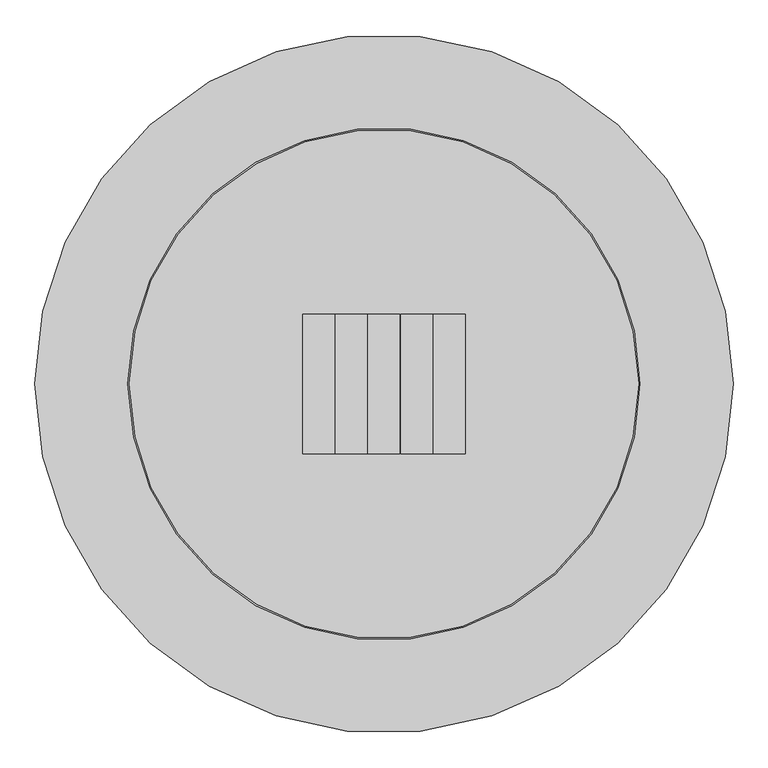
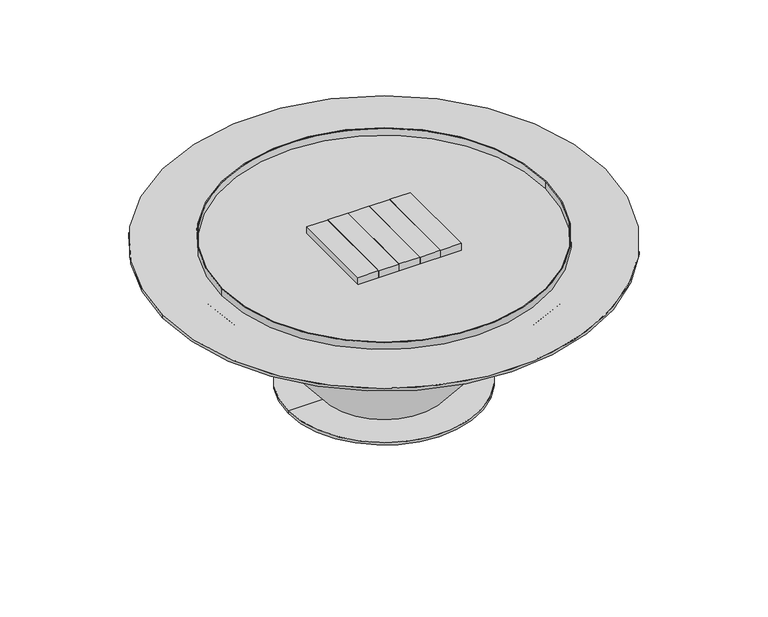
"""IFC4 building model written with IfcOpenShell, lengths in millimetres: proxy geometry."""

from ifc_helpers import new_model, si_unit, point, frame, origin, origin_2d, place, context, project, spatial, polyline, circle_curve, trimmed, segment, composite_curve, outline, extrude, source, transform, mapped, element, save
from ifc_brep_helpers import plane_surface, cylinder_surface, revolved_surface, advanced_brep


def generic_models_b4d8ed98(model_context):
    return source(origin(), model_context, "Body", "SolidModel", [
        extrude(outline(composite_curve([segment(trimmed(circle_curve(origin_2d(), 762.0), [point((-762.0, 0.0))], [point((762.0, 0.0))], False, "CARTESIAN"), True, "CONTINUOUS"), segment(trimmed(circle_curve(origin_2d(), 762.0), [point((762.0, 0.0))], [point((-762.0, 0.0))], False, "CARTESIAN"), True, "CONTINUOUS")], self_intersect=False)), frame((0.0, 0.0, 498.475), z_axis=(0.0, 0.0, 1.0), x_axis=(1.0, 0.0, 0.0)), (0.0, 0.0, 1.0), 9.525),
        advanced_brep(
        [(609.6, 0.0, 498.475), (-609.6, 0.0, 498.475), (-329.8846811, 0.0, 0.0), (329.8846811, 0.0, 0.0), (-210.9656051, 0.0, 9.525), (210.9656051, 0.0, 9.525), (329.8846811, 0.0, 9.525), (-329.8846811, 0.0, 9.525)],
        [
            (0, 1, circle_curve(frame((0.0, 0.0, 498.475), z_axis=(0.0, 0.0, 1.0), x_axis=(1.0, 0.0, 0.0)), 609.6)),
            (1, 0, circle_curve(frame((0.0, 0.0, 498.475), z_axis=(0.0, 0.0, 1.0), x_axis=(1.0, 0.0, 0.0)), 609.6)),
            (2, 3, circle_curve(frame((0.0, 0.0, 0.0), z_axis=(0.0, 0.0, -1.0), x_axis=(1.0, 0.0, 0.0)), 329.8846811)),
            (3, 2, circle_curve(frame((0.0, 0.0, 0.0), z_axis=(0.0, 0.0, -1.0), x_axis=(1.0, 0.0, 0.0)), 329.8846811)),
            (4, 1),
            (0, 5),
            (5, 4, circle_curve(frame((0.0, 0.0, 9.525), z_axis=(0.0, 0.0, 1.0), x_axis=(1.0, 0.0, 0.0)), 210.9656051)),
            (4, 5, circle_curve(frame((0.0, 0.0, 9.525), z_axis=(0.0, 0.0, 1.0), x_axis=(1.0, 0.0, 0.0)), 210.9656051)),
            (5, 6),
            (6, 7, circle_curve(frame((0.0, 0.0, 9.525), z_axis=(0.0, 0.0, 1.0), x_axis=(1.0, 0.0, 0.0)), 329.8846811)),
            (7, 4),
            (7, 6, circle_curve(frame((0.0, 0.0, 9.525), z_axis=(0.0, 0.0, 1.0), x_axis=(1.0, 0.0, 0.0)), 329.8846811)),
            (6, 3),
            (2, 7),
        ],
        [
            plane_surface(frame((609.6, 0.0, 498.475), z_axis=(0.0, 0.0, 1.0), x_axis=(0.0, 1.0, 0.0))),
            plane_surface(frame((609.6, 0.0, 0.0), z_axis=(0.0, 0.0, -1.0), x_axis=(0.0, -1.0, 0.0))),
            revolved_surface(polyline([(210.9656051, 0.0, 9.525), (609.6, 0.0, 498.475)]), (0.0, 0.0, 2214.3150031), (0.0, 0.0, 1.0)),
            plane_surface(frame((0.0, 0.0, 9.525), z_axis=(0.0, 0.0, 1.0), x_axis=(1.0, 0.0, 0.0))),
            cylinder_surface(frame((0.0, 0.0, 2214.3150031), z_axis=(0.0, 0.0, 1.0), x_axis=(1.0, 0.0, 0.0)), 329.8846811),
        ],
        [
            (0, [[1, 2]]),
            (1, [[3, 4]]),
            (2, [[5, -1, 6, 7]]),
            (2, [[-5, 8, -6, -2]]),
            (3, [[-7, 9, 10, 11]]),
            (3, [[-8, -11, 12, -9]]),
            (4, [[-10, 13, -3, 14]]),
            (4, [[-12, -14, -4, -13]]),
        ],
    ),
        extrude(outline(composite_curve([segment(trimmed(circle_curve(origin_2d(), 558.8), [point((-558.8, 0.0))], [point((558.8, 0.0))], False, "CARTESIAN"), True, "CONTINUOUS"), segment(trimmed(circle_curve(origin_2d(), 558.8), [point((558.8, 0.0))], [point((-558.8, 0.0))], False, "CARTESIAN"), True, "CONTINUOUS")], self_intersect=False), holes=[composite_curve([segment(trimmed(circle_curve(origin_2d(), 555.625), [point((-555.625, 0.0))], [point((555.625, 0.0))], True, "CARTESIAN"), True, "CONTINUOUS"), segment(trimmed(circle_curve(origin_2d(), 555.625), [point((555.625, 0.0))], [point((-555.625, 0.0))], True, "CARTESIAN"), True, "CONTINUOUS")], self_intersect=False)]), frame((0.0, 0.0, 508.0), z_axis=(0.0, 0.0, 1.0), x_axis=(1.0, 0.0, 0.0)), (0.0, 0.0, 1.0), 25.4),
        extrude(outline(polyline([(-107.823, 152.4), (-107.823, -152.4), (-177.673, -152.4), (-177.673, 152.4), (-107.823, 152.4)])), frame((0.0, 0.0, 508.0), z_axis=(0.0, 0.0, 1.0), x_axis=(1.0, 0.0, 0.0)), (0.0, 0.0, 1.0), 25.4),
        extrude(outline(polyline([(-36.449, 152.4), (-36.449, -152.4), (-106.299, -152.4), (-106.299, 152.4), (-36.449, 152.4)])), frame((0.0, 0.0, 508.0), z_axis=(0.0, 0.0, 1.0), x_axis=(1.0, 0.0, 0.0)), (0.0, 0.0, 1.0), 25.4),
        extrude(outline(polyline([(34.925, 152.4), (34.925, -152.4), (-34.925, -152.4), (-34.925, 152.4), (34.925, 152.4)])), frame((0.0, 0.0, 508.0), z_axis=(0.0, 0.0, 1.0), x_axis=(1.0, 0.0, 0.0)), (0.0, 0.0, 1.0), 25.4),
        extrude(outline(polyline([(106.299, 152.4), (106.299, -152.4), (36.449, -152.4), (36.449, 152.4), (106.299, 152.4)])), frame((0.0, 0.0, 508.0), z_axis=(0.0, 0.0, 1.0), x_axis=(1.0, 0.0, 0.0)), (0.0, 0.0, 1.0), 25.4),
        extrude(outline(polyline([(177.673, 152.4), (177.673, -152.4), (107.823, -152.4), (107.823, 152.4), (177.673, 152.4)])), frame((0.0, 0.0, 508.0), z_axis=(0.0, 0.0, 1.0), x_axis=(1.0, 0.0, 0.0)), (0.0, 0.0, 1.0), 25.4),
    ])


if __name__ == "__main__":
    model = new_model("IFC4")
    model_context = context("Model", 3, world=origin())
    ifc_project = project(units=[si_unit("LENGTHUNIT", "METRE", prefix="MILLI")], contexts=[model_context])
    site = spatial("IfcSite", under=ifc_project)
    building = spatial("IfcBuilding", under=site)
    placement = place(None, origin())
    generic_models_shape = generic_models_b4d8ed98(model_context)
    element("IfcBuildingElementProxy", 1, Name="Generic Models", at=placement, inside=building, context=model_context, shape_type="MappedRepresentation", body=[
        mapped(generic_models_shape, transform((0.0, 0.0, 0.0), x_axis=(1.0, 0.0, 0.0), y_axis=(0.0, 1.0, 0.0), z_axis=(0.0, 0.0, 1.0))),
    ])
    save(model, "model.ifc")
